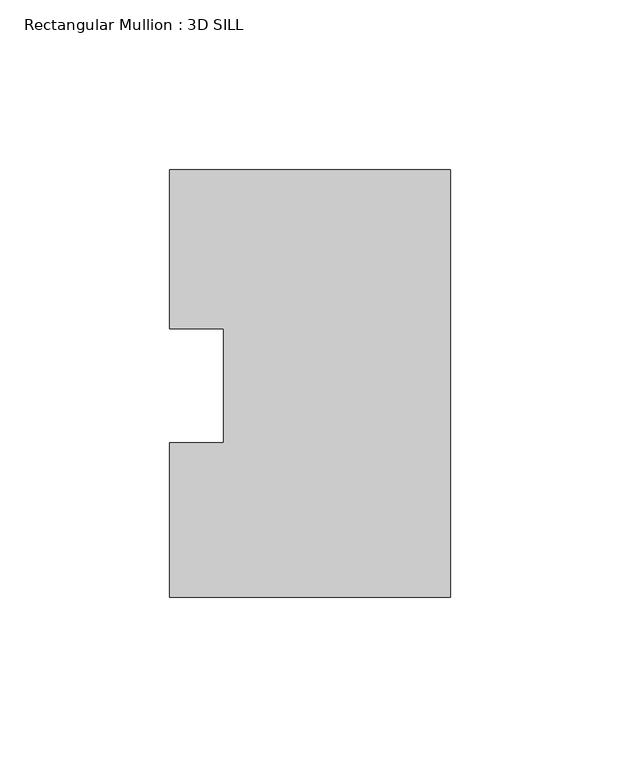
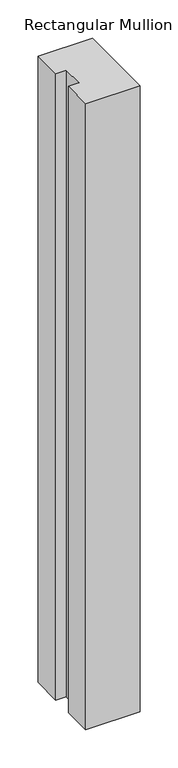
"""IFC4 building model written with IfcOpenShell, lengths in millimetres: member geometry, Rectangular Mullion : 3D SILL."""

from ifc_helpers import new_model, si_unit, frame, origin, place, context, project, spatial, polyline, outline, extrude, source, transform, mapped, element, save


def rectangular_mullion_3d_sill_c1813739(model_context):
    return source(origin(), model_context, "Body", "SweptSolid", [
        extrude(outline(polyline([(-82.5548917, 16.7234075), (-82.5548917, 63.5107262), (0.0, 63.5107262), (0.0, -62.2700738), (-82.5548917, -62.2700738), (-82.5548917, -16.7234075), (-66.6798917, -16.7234075), (-66.6798917, 16.7234075), (-82.5548917, 16.7234075)])), frame((0.0, 0.0, -1004.1144607), z_axis=(0.0, 0.0, 1.0), x_axis=(1.0, 0.0, 0.0)), (0.0, 0.0, 1.0), 1004.1144607),
    ])


if __name__ == "__main__":
    model = new_model("IFC4")
    model_context = context("Model", 3, world=origin())
    ifc_project = project(units=[si_unit("LENGTHUNIT", "METRE", prefix="MILLI")], contexts=[model_context])
    site = spatial("IfcSite", under=ifc_project)
    building = spatial("IfcBuilding", under=site)
    placement = place(None, origin())
    rectangular_mullion_3d_sill_shape = rectangular_mullion_3d_sill_c1813739(model_context)
    element("IfcMember", 1, ObjectType="Rectangular Mullion : 3D SILL", at=placement, inside=building, context=model_context, shape_type="MappedRepresentation", body=[
        mapped(rectangular_mullion_3d_sill_shape, transform((0.0, 0.0, 0.0), x_axis=(1.0, 0.0, 0.0), y_axis=(0.0, 1.0, 0.0), z_axis=(0.0, 0.0, 1.0))),
    ])
    save(model, "model.ifc")
